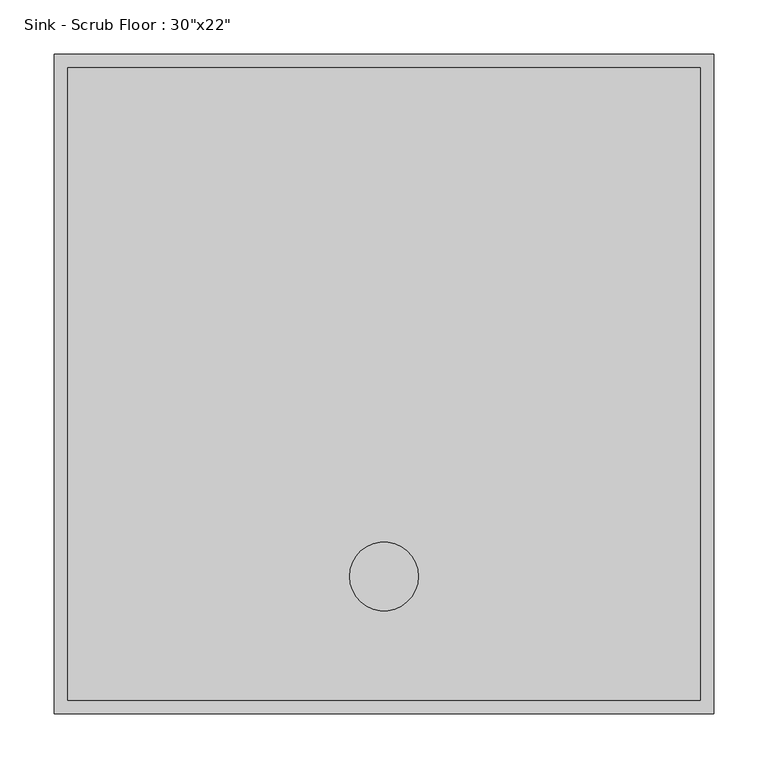
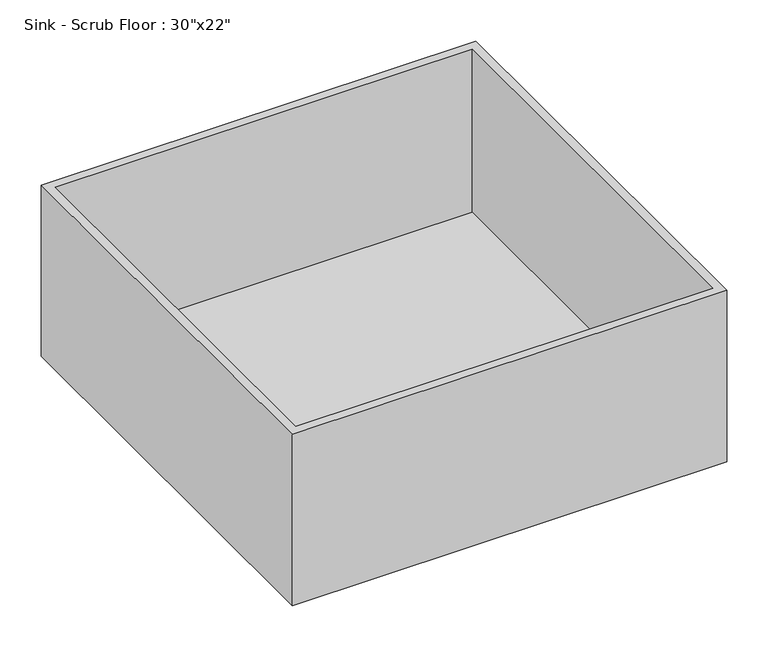
"""IFC4 building model written with IfcOpenShell, lengths in millimetres: flow terminal geometry."""

from ifc_helpers import new_model, si_unit, point, frame_2d, origin, origin_with_axes, place, context, project, spatial, circle_curve, trimmed, segment, composite_curve, outline, extrude, faceted_brep, source, transform, mapped, element, save


def flow_terminal_4f8545db(model_context):
    return source(origin(), model_context, "Body", "SolidModel", [
        extrude(outline(composite_curve([segment(trimmed(circle_curve(frame_2d((0.0, 127.0)), 31.75), [point((-31.75, 127.0))], [point((31.75, 127.0))], False, "CARTESIAN"), True, "CONTINUOUS"), segment(trimmed(circle_curve(frame_2d((0.0, 127.0)), 31.75), [point((31.75, 127.0))], [point((-31.75, 127.0))], False, "CARTESIAN"), True, "CONTINUOUS")], self_intersect=False)), origin_with_axes(), (0.0, 0.0, 1.0), 12.7),
        faceted_brep([(304.8, 0.0, 254.0), (304.8, 609.6, 254.0), (-304.8, 609.6, 254.0), (-304.8, 0.0, 254.0), (-292.1, 12.7, 254.0), (-292.1, 596.9, 254.0), (292.1, 596.9, 254.0), (292.1, 12.7, 254.0), (304.8, 0.0, 0.0), (-304.8, 0.0, 0.0), (-304.8, 609.6, 0.0), (304.8, 609.6, 0.0), (292.1, 12.7, 12.7), (292.1, 596.9, 12.7), (-292.1, 596.9, 12.7), (-292.1, 12.7, 12.7)], [[[0, 1, 2, 3], [4, 5, 6, 7]], [[8, 9, 10, 11]], [[3, 9, 8, 0]], [[2, 10, 9, 3]], [[1, 11, 10, 2]], [[0, 8, 11, 1]], [[12, 13, 14, 15]], [[15, 4, 7, 12]], [[14, 5, 4, 15]], [[13, 6, 5, 14]], [[12, 7, 6, 13]]]),
    ])


if __name__ == "__main__":
    model = new_model("IFC4")
    model_context = context("Model", 3, world=origin())
    ifc_project = project(units=[si_unit("LENGTHUNIT", "METRE", prefix="MILLI")], contexts=[model_context])
    site = spatial("IfcSite", under=ifc_project)
    building = spatial("IfcBuilding", under=site)
    placement = place(None, origin())
    flow_terminal_shape = flow_terminal_4f8545db(model_context)
    element("IfcFlowTerminal", 1, ObjectType="Sink - Scrub Floor : 30\"x22\"", at=placement, inside=building, context=model_context, shape_type="MappedRepresentation", body=[
        mapped(flow_terminal_shape, transform((0.0, 0.0, 0.0), x_axis=(1.0, 0.0, 0.0), y_axis=(0.0, 1.0, 0.0), z_axis=(0.0, 0.0, 1.0))),
    ])
    save(model, "model.ifc")
